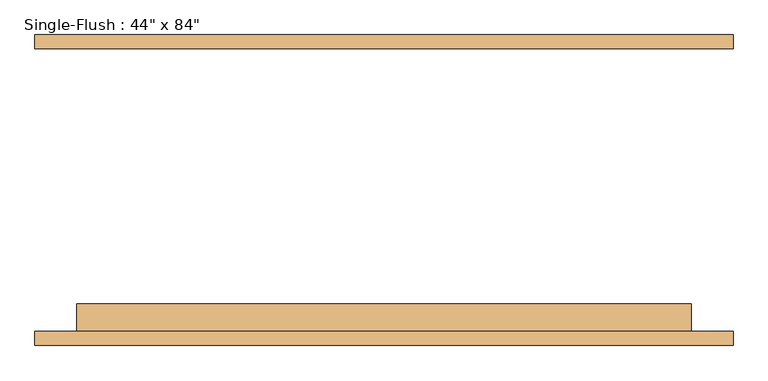
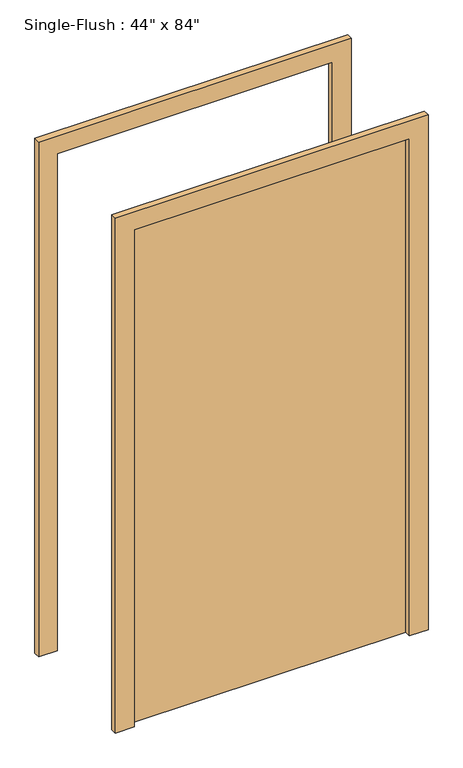
"""IFC4 building model written with IfcOpenShell, lengths in millimetres: door geometry."""

from ifc_helpers import new_model, si_unit, frame, origin, origin_with_axes, place, context, project, spatial, polyline, outline, extrude, source, transform, mapped, element, save


def door_da7bdaa3(model_context):
    return source(origin(), model_context, "Body", "SweptSolid", [
        extrude(outline(polyline([(2209.8, -635.0), (0.0, -635.0), (0.0, -558.8), (2133.6, -558.8), (2133.6, 558.8), (0.0, 558.8), (0.0, 635.0), (2209.8, 635.0), (2209.8, -635.0)])), frame((0.0, -282.9, 0.0), z_axis=(0.0, 1.0, 0.0), x_axis=(0.0, 0.0, 1.0)), (0.0, 0.0, 1.0), 25.4),
        extrude(outline(polyline([(2209.8, 635.0), (2209.8, -635.0), (0.0, -635.0), (0.0, -558.8), (2133.6, -558.8), (2133.6, 558.8), (0.0, 558.8), (0.0, 635.0), (2209.8, 635.0)])), frame((0.0, 257.5, 0.0), z_axis=(0.0, 1.0, 0.0), x_axis=(0.0, 0.0, 1.0)), (0.0, 0.0, 1.0), 25.4),
        extrude(outline(polyline([(558.8, -206.7), (558.8, -257.5), (-558.8, -257.5), (-558.8, -206.7), (558.8, -206.7)])), origin_with_axes(), (0.0, 0.0, 1.0), 2133.6),
    ])


if __name__ == "__main__":
    model = new_model("IFC4")
    model_context = context("Model", 3, world=origin())
    ifc_project = project(units=[si_unit("LENGTHUNIT", "METRE", prefix="MILLI")], contexts=[model_context])
    site = spatial("IfcSite", under=ifc_project)
    building = spatial("IfcBuilding", under=site)
    placement = place(None, origin())
    door_shape = door_da7bdaa3(model_context)
    element("IfcDoor", 1, ObjectType="Single-Flush : 44\" x 84\"", at=placement, inside=building, context=model_context, shape_type="MappedRepresentation", body=[
        mapped(door_shape, transform((0.0, 0.0, 0.0), x_axis=(1.0, 0.0, 0.0), y_axis=(0.0, 1.0, 0.0), z_axis=(0.0, 0.0, 1.0))),
    ])
    save(model, "model.ifc")
